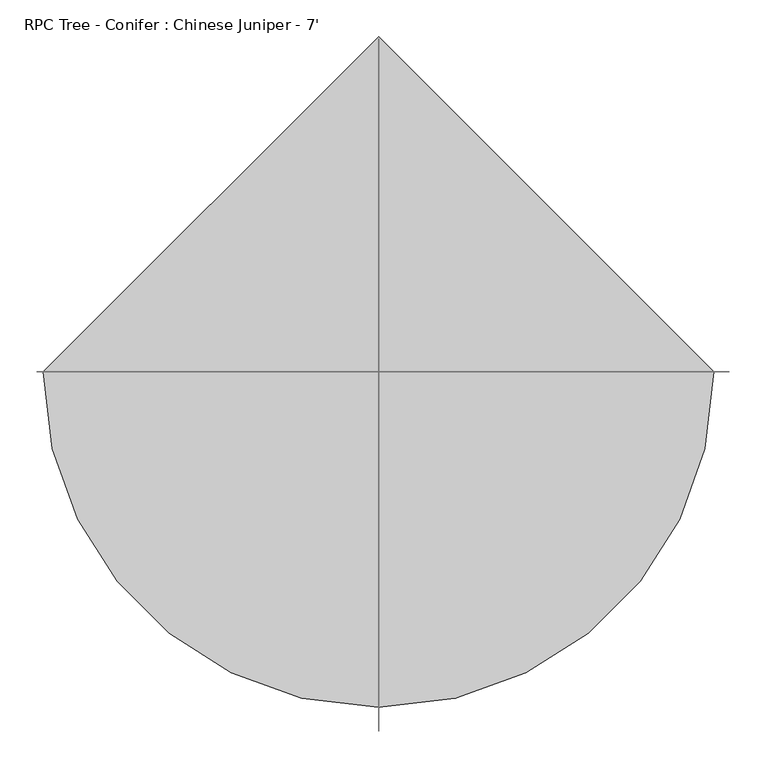
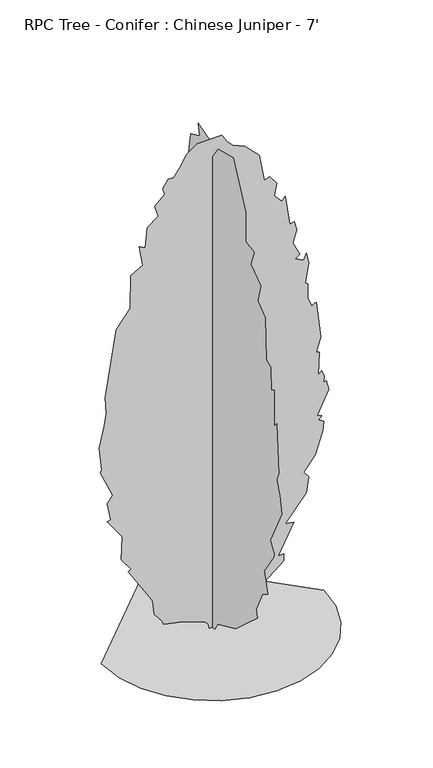
"""IFC4 building model written with IfcOpenShell, lengths in millimetres: geographic element geometry, RPC Tree - Conifer : Chinese Juniper - 7'."""

from ifc_helpers import new_model, si_unit, origin, place, context, project, spatial, triangles, source, transform, mapped, element, save


def rpc_tree_conifer_chinese_juniper_7_1b9786cd(model_context):
    return source(origin(), model_context, "Body", "Tessellation", [
        triangles([(-14.517647, 6e-07, 1.3e-06), (-18.0071097, -3e-07, 17.9396969), (-27.4223632, -6e-07, 30.3914521), (-123.5685295, 1.5e-06, 65.7757953), (-201.676062, 3.9e-06, 82.3498608), (-209.1624873, 3.1e-06, 101.0656516), (-239.326362, 2.1e-06, 139.6788561), (-246.5945957, -1e-06, 198.3880905), (-257.8249785, -1.9e-06, 220.8470939), (-347.6599566, -6.4e-06, 363.0865585), (-336.0369015, -7.4e-06, 370.071561), (-375.7854927, -8.9e-06, 425.7942498), (-371.7570322, -1.5e-05, 524.6285151), (-433.7535387, -1.74e-05, 610.1379032), (-418.7802157, -1.83e-05, 613.8793173), (-433.1718882, -2.22e-05, 689.5207758), (-411.2922644, -2.49e-05, 718.6876728), (-463.6977139, -2.95e-05, 834.7279736), (-456.2123059, -3.02e-05, 842.2133451), (-467.4416714, -3.58e-05, 943.2777431), (-447.126705, -4.19e-05, 1031.4541197), (-437.4949891, -4.53e-05, 1081.7767748), (-441.2389466, -4.94e-05, 1152.8969976), (-396.3214485, -6.81e-05, 1433.6338589), (-340.174585, -7.5e-05, 1508.4981846), (-337.1392688, -8.35e-05, 1648.2265743), (-287.7691355, -8.74e-05, 1676.941246), (-302.7424948, -9.18e-05, 1763.0323574), (-277.1874594, -9.21e-05, 1748.371479), (-269.0543621, -9.76e-05, 1834.1525803), (-224.1350836, -0.0001015, 1867.8406403), (-239.107916, -0.0001038, 1916.5022049), (-197.9328675, -0.0001078, 1953.9342224), (-205.4192747, -0.000109, 1980.1369835), (-182.9602713, -0.000112, 2013.8251888), (-160.5012679, -0.000113, 2013.8251888), (-134.7328734, -0.0001161, 2047.2821583), (-108.898967, -0.0001202, 2095.8470718), (-62.5486394, -0.0001241, 2127.2339642), (37.1144179, -0.0001285, 2128.801165), (60.3458442, -0.0001273, 2092.4307106), (82.8048476, -0.000127, 2069.9720524), (132.737601, -0.0001279, 2048.8239246), (191.3566519, -0.0001268, 1987.6224277), (213.8156735, -0.0001209, 1871.5845978), (236.2746769, -0.0001223, 1879.070042), (263.6666277, -0.0001212, 1839.8828991), (254.989959, -0.0001178, 1789.2351185), (284.9366594, -0.0001171, 1755.5469131), (299.9074571, -0.0001186, 1770.5202724), (318.6248102, -0.0001119, 1643.2505699), (337.3395836, -0.0001129, 1646.9946728), (347.517378, -0.0001111, 1609.9130699), (330.7888933, -0.0001074, 1559.0291119), (359.7983145, -0.000105, 1497.2687828), (340.1843954, -0.0001034, 1485.5084541), (374.7716738, -0.0001038, 1467.3220642), (386.0010392, -0.0001059, 1493.5248253), (397.230441, -0.0001037, 1448.6072182), (382.2596251, -9.81e-05, 1366.2577389), (393.0673594, -9.81e-05, 1357.3651131), (391.5662155, -9.44e-05, 1296.562429), (408.4598064, -9.28e-05, 1257.7053532), (427.1771233, -9.41e-05, 1265.1907974), (445.8918966, -8.55e-05, 1107.9794632), (427.1771233, -8.11e-05, 1048.0886421), (438.8332068, -8.14e-05, 1044.1287821), (434.6625312, -7.54e-05, 947.0217007), (449.6358905, -7.68e-05, 958.2511024), (460.8652559, -7.57e-05, 932.0483414), (457.1212984, -7.4e-05, 905.8481964), (468.3506639, -7.47e-05, 909.5896105), (479.5800293, -7.27e-05, 868.4161062), (430.9185737, -6.48e-05, 771.0931223), (449.6358905, -6.52e-05, 763.6077507), (438.4064887, -6.38e-05, 748.6343914), (457.1212984, -6.39e-05, 737.4049896), (453.1842567, -6.13e-05, 697.0620306), (423.4331657, -5.44e-05, 602.6499518), (374.7716738, -4.87e-05, 542.7590944), (397.230441, -4.81e-05, 516.5563697), (384.9545551, -4.37e-05, 451.166393), (299.9074571, -3.36e-05, 344.3717488), (333.5981332, -3.49e-05, 340.6277913), (269.9633001, -2.47e-05, 217.1038994), (292.4220673, -2.57e-05, 217.1038994), (292.4220673, -2.39e-05, 187.1584707), (127.7223548, -8.7e-06, 52.4044321), (127.7223548, -9.8e-06, 71.1202274), (15.4277284, -7e-07, 0.0), (0.1966721, 13.7891713, 0.00013), (0.1966737, 34.4811189, 14.2963339), (0.1966762, 77.4229995, 29.9456808), (0.1966783, 178.488651, 67.3772736), (0.1966827, 230.8930831, 116.0384931), (0.1966819, 208.4340797, 119.7817057), (0.1966904, 288.5449239, 235.2565704), (0.1966918, 264.5824875, 291.9663175), (0.196695, 331.9587347, 389.2892833), (0.1966967, 324.4733268, 434.2067814), (0.1967014, 373.1322753, 494.0976388), (0.1967052, 389.4924685, 565.7309481), (0.1967041, 380.6202267, 640.0820784), (0.1967106, 440.5110841, 729.9170746), (0.1967147, 444.2524981, 819.7546143), (0.196717, 422.6319428, 893.2725832), (0.1967196, 455.4818636, 1010.6565519), (0.19672, 425.5377248, 1051.8300562), (0.1967236, 388.1056346, 1171.611771), (0.1967244, 414.3083593, 1253.9613956), (0.1967283, 384.3616407, 1373.7430378), (0.1967298, 346.932094, 1444.8632607), (0.1967315, 328.2147772, 1594.5917667), (0.19673, 305.75601, 1583.362365), (0.1967359, 305.75601, 1718.1148956), (0.1967344, 260.8385118, 1729.3441521), (0.1967329, 237.0752094, 1809.303661), (0.1967352, 223.406676, 1875.3287006), (0.1967352, 178.488651, 1920.2461624), (0.1967401, 156.0296476, 2055.0011639), (0.1967346, 92.3955867, 2084.9454117), (0.1967371, 102.0598133, 2133.1292439), (0.1967319, 11.3487565, 2104.2112415), (0.1967329, 6.3027505, 2040.0278046), (0.1967297, -38.6152347, 2103.6627285), (0.1967262, -147.1670527, 2133.606831), (0.1967183, -237.0033388, 1950.1902649), (0.1967127, -237.0033388, 1822.9231785), (0.1967097, -296.2055936, 1812.3847229), (0.1967078, -270.691199, 1744.3175114), (0.1967065, -342.8426634, 1695.0642677), (0.196704, -323.0966666, 1617.050425), (0.1966999, -375.4995727, 1575.8744499), (0.1966957, -382.9874877, 1396.2018414), (0.1966938, -413.5488853, 1383.1639744), (0.1966894, -416.6756204, 1283.9081142), (0.196689, -439.1343876, 1298.8788574), (0.1966862, -439.1343876, 1141.6675959), (0.1966823, -457.849161, 1164.1263994), (0.1966765, -472.8225203, 954.5096884), (0.1966757, -456.5690065, 918.855542), (0.1966723, -480.3104716, 864.672076), (0.1966725, -491.5398371, 789.8078957), (0.1966689, -412.9316628, 628.8526766), (0.1966658, -439.1343876, 583.9351785), (0.1966692, -436.9195155, 568.0778978), (0.1966679, -368.0141647, 467.8974212), (0.1966629, -394.2168895, 381.8038754), (0.1966636, -353.0408054, 355.6011506), (0.1966655, -311.8672648, 265.7661362), (0.1966637, -319.3526728, 232.0767318), (0.196664, -244.4894916, 164.6997216), (0.1966643, -165.8828434, 93.5794897), (0.1966675, -34.8715179, 33.6886368), (0.1966708, -16.1562041, 0.0001282), (-457.9674314, 0.0, 0.0001492), (-445.8541446, -104.9808196, 0.0001424), (-411.358285, -201.3891246, 0.0001352), (-357.2408761, -286.4621113, 0.0001277), (-286.2654482, -357.4375574, 0.0001204), (-201.1924614, -411.5549664, 0.0001134), (-104.7841473, -446.0508259, 0.0001072), (0.1966917, -458.1641127, 0.0001019), (105.1774918, -446.0508259, 9.8e-05), (201.5857877, -411.5549664, 9.58e-05), (286.6587745, -357.4375574, 9.54e-05), (357.6342387, -286.4621113, 9.65e-05), (411.7516477, -201.3888702, 9.92e-05), (446.2475072, -104.9808196, 0.0001034), (458.360794, 4.01e-05, 0.0001092), (0.1966112, 458.1641127, 0.0001565)], [[57, 58, 59], [27, 28, 29], [87, 88, 89], [49, 50, 51], [13, 14, 15], [83, 84, 85], [74, 75, 76], [63, 64, 65], [68, 69, 70], [71, 72, 73], [9, 10, 11], [85, 86, 87], [85, 87, 89], [51, 52, 53], [54, 55, 56], [90, 1, 2], [66, 67, 68], [45, 46, 47], [17, 18, 19], [68, 70, 71], [45, 47, 48], [31, 32, 33], [76, 77, 78], [89, 90, 2], [89, 2, 3], [57, 59, 60], [51, 53, 54], [25, 26, 27], [39, 40, 41], [56, 57, 60], [71, 73, 74], [34, 35, 36], [33, 34, 36], [4, 5, 6], [60, 61, 62], [80, 81, 82], [38, 39, 41], [37, 38, 41], [37, 41, 42], [29, 30, 31], [15, 16, 17], [36, 37, 42], [33, 36, 42], [31, 33, 42], [31, 42, 43], [31, 43, 44], [31, 44, 45], [29, 31, 45], [29, 45, 48], [27, 29, 48], [25, 27, 48], [25, 48, 49], [25, 49, 51], [25, 51, 54], [25, 54, 56], [25, 56, 60], [25, 60, 62], [24, 25, 62], [23, 24, 62], [22, 23, 62], [22, 62, 63], [22, 63, 65], [22, 65, 66], [22, 66, 68], [21, 22, 68], [20, 21, 68], [19, 20, 68], [17, 19, 68], [17, 68, 71], [17, 71, 74], [15, 17, 74], [13, 15, 74], [13, 74, 76], [13, 76, 78], [13, 78, 79], [13, 79, 80], [12, 13, 80], [11, 12, 80], [9, 11, 80], [9, 80, 82], [9, 82, 83], [9, 83, 85], [9, 85, 89], [9, 89, 3], [9, 3, 4], [8, 9, 4], [8, 4, 6], [7, 8, 6], [138, 139, 140], [94, 95, 96], [136, 137, 138], [121, 122, 123], [112, 113, 114], [128, 129, 130], [121, 123, 124], [125, 126, 127], [124, 125, 127], [114, 115, 116], [147, 148, 149], [130, 131, 132], [124, 127, 128], [134, 135, 136], [154, 155, 91], [154, 91, 92], [150, 151, 152], [96, 97, 98], [119, 120, 121], [119, 121, 124], [119, 124, 128], [118, 119, 128], [117, 118, 128], [116, 117, 128], [116, 128, 130], [114, 116, 130], [114, 130, 132], [112, 114, 132], [112, 132, 133], [112, 133, 134], [112, 134, 136], [111, 112, 136], [110, 111, 136], [109, 110, 136], [109, 136, 138], [109, 138, 140], [109, 140, 141], [108, 109, 141], [107, 108, 141], [106, 107, 141], [105, 106, 141], [104, 105, 141], [103, 104, 141], [103, 141, 142], [103, 142, 143], [103, 143, 144], [102, 103, 144], [101, 102, 144], [100, 101, 144], [100, 144, 145], [100, 145, 146], [100, 146, 147], [100, 147, 149], [100, 149, 150], [100, 150, 152], [100, 152, 153], [100, 153, 154], [99, 100, 154], [98, 99, 154], [96, 98, 154], [96, 154, 92], [96, 92, 93], [96, 93, 94], [170, 171, 156], [169, 170, 156], [169, 156, 157], [168, 169, 157], [168, 157, 158], [168, 158, 159], [167, 168, 159], [166, 167, 159], [166, 159, 160], [166, 160, 161], [166, 161, 162], [166, 162, 163], [166, 163, 164], [166, 164, 165]], closed=False),
    ])


if __name__ == "__main__":
    model = new_model("IFC4")
    model_context = context("Model", 3, world=origin())
    ifc_project = project(units=[si_unit("LENGTHUNIT", "METRE", prefix="MILLI")], contexts=[model_context])
    site = spatial("IfcSite", under=ifc_project)
    building = spatial("IfcBuilding", under=site)
    placement = place(None, origin())
    rpc_tree_conifer_chinese_juniper_7_shape = rpc_tree_conifer_chinese_juniper_7_1b9786cd(model_context)
    element("IfcGeographicElement", 1, ObjectType="RPC Tree - Conifer : Chinese Juniper - 7'", at=placement, inside=building, context=model_context, shape_type="MappedRepresentation", body=[
        mapped(rpc_tree_conifer_chinese_juniper_7_shape, transform((0.0, 0.0, 0.0), x_axis=(1.0, 0.0, 0.0), y_axis=(0.0, 1.0, 0.0), z_axis=(0.0, 0.0, 1.0))),
    ])
    save(model, "model.ifc")
